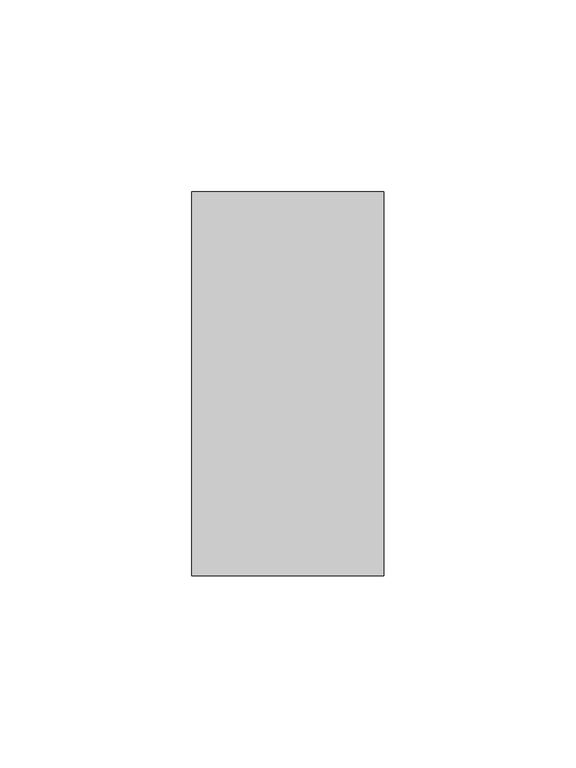
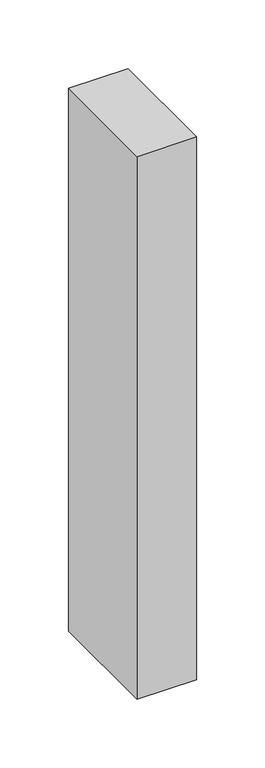
"""IFC4 building model written with IfcOpenShell, lengths in millimetres: member geometry."""

from ifc_helpers import new_model, si_unit, frame, origin, place, context, project, spatial, polyline, outline, extrude, source, transform, mapped, element, save


def member_7d7d067a(model_context):
    return source(origin(), model_context, "Body", "SweptSolid", [
        extrude(outline(polyline([(25.0, 50.0), (25.0, -50.0), (-25.0, -50.0), (-25.0, 50.0), (25.0, 50.0)])), frame((0.0, 0.0, -482.7375), z_axis=(0.0, 0.0, 1.0), x_axis=(1.0, 0.0, 0.0)), (0.0, 0.0, 1.0), 482.7375),
    ])


if __name__ == "__main__":
    model = new_model("IFC4")
    model_context = context("Model", 3, world=origin())
    ifc_project = project(units=[si_unit("LENGTHUNIT", "METRE", prefix="MILLI")], contexts=[model_context])
    site = spatial("IfcSite", under=ifc_project)
    building = spatial("IfcBuilding", under=site)
    placement = place(None, origin())
    member_shape = member_7d7d067a(model_context)
    element("IfcMember", 1, at=placement, inside=building, context=model_context, shape_type="MappedRepresentation", body=[
        mapped(member_shape, transform((0.0, 0.0, 0.0), x_axis=(1.0, 0.0, 0.0), y_axis=(0.0, 1.0, 0.0), z_axis=(0.0, 0.0, 1.0))),
    ])
    save(model, "model.ifc")
